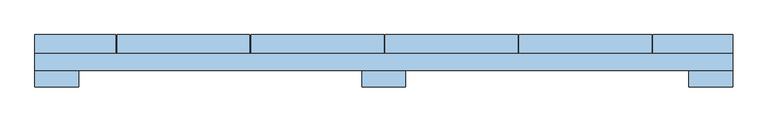
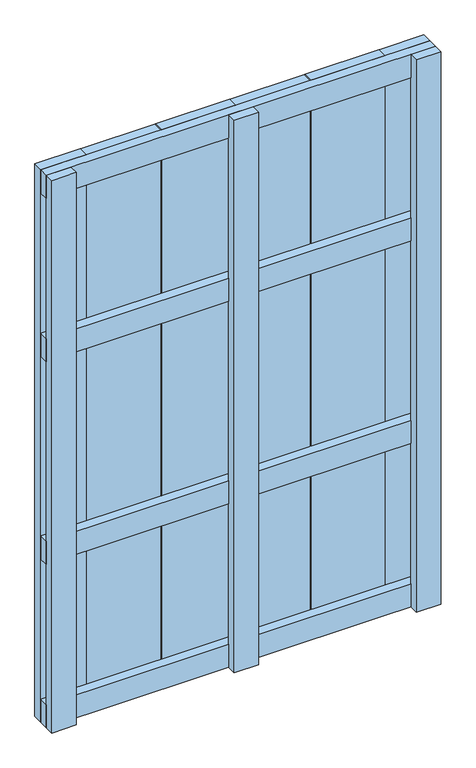
"""IFC4 building model written with IfcOpenShell, lengths in millimetres: window geometry."""

from ifc_helpers import new_model, si_unit, frame, origin, place, context, project, spatial, polyline, outline, extrude, source, transform, mapped, element, save


def window_9d2fc1ea(model_context):
    return source(origin(), model_context, "Body", "SweptSolid", [
        extrude(outline(polyline([(500.0, 23.0), (500.0, -1.0), (-500.0, -1.0), (-500.0, 23.0), (500.0, 23.0)])), frame((0.0, 0.0, 1093.5), z_axis=(0.0, 0.0, 1.0), x_axis=(1.0, 0.0, 0.0)), (0.0, 0.0, 1.0), 63.0),
        extrude(outline(polyline([(500.0, 23.0), (500.0, -1.0), (-500.0, -1.0), (-500.0, 23.0), (500.0, 23.0)])), frame((0.0, 0.0, 543.5), z_axis=(0.0, 0.0, 1.0), x_axis=(1.0, 0.0, 0.0)), (0.0, 0.0, 1.0), 63.0),
        extrude(outline(polyline([(500.0, 23.0), (500.0, -1.0), (-500.0, -1.0), (-500.0, 23.0), (500.0, 23.0)])), frame((0.0, 0.0, 1537.0), z_axis=(0.0, 0.0, 1.0), x_axis=(1.0, 0.0, 0.0)), (0.0, 0.0, 1.0), 63.0),
        extrude(outline(polyline([(500.0, 23.0), (500.0, -1.0), (-500.0, -1.0), (-500.0, 23.0), (500.0, 23.0)])), frame((0.0, 0.0, 100.0), z_axis=(0.0, 0.0, 1.0), x_axis=(1.0, 0.0, 0.0)), (0.0, 0.0, 1.0), 63.0),
        extrude(outline(polyline([(-382.0, 50.0), (-192.0, 50.0), (-192.0, 23.0), (-382.0, 23.0), (-382.0, 50.0)])), frame((0.0, 0.0, 100.0), z_axis=(0.0, 0.0, 1.0), x_axis=(1.0, 0.0, 0.0)), (0.0, 0.0, 1.0), 1500.0),
        extrude(outline(polyline([(-190.0, 50.0), (0.0, 50.0), (0.0, 23.0), (-190.0, 23.0), (-190.0, 50.0)])), frame((0.0, 0.0, 100.0), z_axis=(0.0, 0.0, 1.0), x_axis=(1.0, 0.0, 0.0)), (0.0, 0.0, 1.0), 1500.0),
        extrude(outline(polyline([(2.0, 50.0), (192.0, 50.0), (192.0, 23.0), (2.0, 23.0), (2.0, 50.0)])), frame((0.0, 0.0, 100.0), z_axis=(0.0, 0.0, 1.0), x_axis=(1.0, 0.0, 0.0)), (0.0, 0.0, 1.0), 1500.0),
        extrude(outline(polyline([(194.0, 50.0), (384.0, 50.0), (384.0, 23.0), (194.0, 23.0), (194.0, 50.0)])), frame((0.0, 0.0, 100.0), z_axis=(0.0, 0.0, 1.0), x_axis=(1.0, 0.0, 0.0)), (0.0, 0.0, 1.0), 1500.0),
        extrude(outline(polyline([(-500.0, 50.0), (-384.0, 50.0), (-384.0, 23.0), (-500.0, 23.0), (-500.0, 50.0)])), frame((0.0, 0.0, 100.0), z_axis=(0.0, 0.0, 1.0), x_axis=(1.0, 0.0, 0.0)), (0.0, 0.0, 1.0), 1500.0),
        extrude(outline(polyline([(386.0, 50.0), (500.0, 50.0), (500.0, 23.0), (386.0, 23.0), (386.0, 50.0)])), frame((0.0, 0.0, 100.0), z_axis=(0.0, 0.0, 1.0), x_axis=(1.0, 0.0, 0.0)), (0.0, 0.0, 1.0), 1500.0),
        extrude(outline(polyline([(-31.5, -0.9), (31.5, -0.9), (31.5, -24.9), (-31.5, -24.9), (-31.5, -0.9)])), frame((0.0, 0.0, 100.0), z_axis=(0.0, 0.0, 1.0), x_axis=(1.0, 0.0, 0.0)), (0.0, 0.0, 1.0), 1500.0),
        extrude(outline(polyline([(-500.0, -1.0), (-437.0, -1.0), (-437.0, -25.0), (-500.0, -25.0), (-500.0, -1.0)])), frame((0.0, 0.0, 100.0), z_axis=(0.0, 0.0, 1.0), x_axis=(1.0, 0.0, 0.0)), (0.0, 0.0, 1.0), 1500.0),
        extrude(outline(polyline([(437.0, -1.0), (500.0, -1.0), (500.0, -25.0), (437.0, -25.0), (437.0, -1.0)])), frame((0.0, 0.0, 100.0), z_axis=(0.0, 0.0, 1.0), x_axis=(1.0, 0.0, 0.0)), (0.0, 0.0, 1.0), 1500.0),
    ])


if __name__ == "__main__":
    model = new_model("IFC4")
    model_context = context("Model", 3, world=origin())
    ifc_project = project(units=[si_unit("LENGTHUNIT", "METRE", prefix="MILLI")], contexts=[model_context])
    site = spatial("IfcSite", under=ifc_project)
    building = spatial("IfcBuilding", under=site)
    placement = place(None, origin())
    window_shape = window_9d2fc1ea(model_context)
    element("IfcWindow", 1, at=placement, inside=building, context=model_context, shape_type="MappedRepresentation", body=[
        mapped(window_shape, transform((0.0, 0.0, 0.0), x_axis=(1.0, 0.0, 0.0), y_axis=(0.0, 1.0, 0.0), z_axis=(0.0, 0.0, 1.0))),
    ])
    save(model, "model.ifc")
